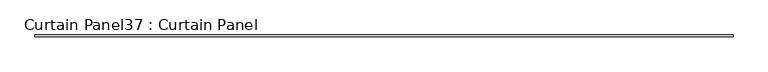
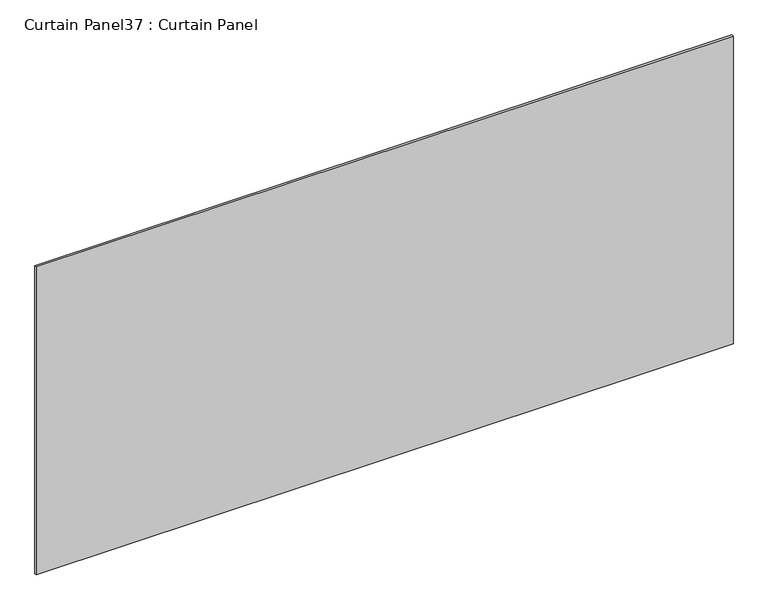
"""IFC4 building model written with IfcOpenShell, lengths in millimetres: plate geometry, Curtain Panel37 : Curtain Panel."""

from ifc_helpers import new_model, si_unit, frame, origin, place, context, project, spatial, polyline, outline, extrude, source, transform, mapped, element, save


def curtain_panel37_curtain_panel_5e84cf54(model_context):
    return source(origin(), model_context, "Body", "SweptSolid", [
        extrude(outline(polyline([(-16503.9514736, 666.0938036), (-18777.2498086, 666.0938036), (-18777.2498086, 672.4438036), (-16503.9514736, 672.4438036), (-16503.9514736, 666.0938036)])), frame((0.0, 0.0, 3067.6813943), z_axis=(0.0, 0.0, 1.0), x_axis=(1.0, 0.0, 0.0)), (0.0, 0.0, 1.0), 1061.3090152),
    ])


if __name__ == "__main__":
    model = new_model("IFC4")
    model_context = context("Model", 3, world=origin())
    ifc_project = project(units=[si_unit("LENGTHUNIT", "METRE", prefix="MILLI")], contexts=[model_context])
    site = spatial("IfcSite", under=ifc_project)
    building = spatial("IfcBuilding", under=site)
    placement = place(None, origin())
    curtain_panel37_curtain_panel_shape = curtain_panel37_curtain_panel_5e84cf54(model_context)
    element("IfcPlate", 1, ObjectType="Curtain Panel37 : Curtain Panel", at=placement, inside=building, context=model_context, shape_type="MappedRepresentation", body=[
        mapped(curtain_panel37_curtain_panel_shape, transform((0.0, 0.0, 0.0), x_axis=(1.0, 0.0, 0.0), y_axis=(0.0, 1.0, 0.0), z_axis=(0.0, 0.0, 1.0))),
    ])
    save(model, "model.ifc")
